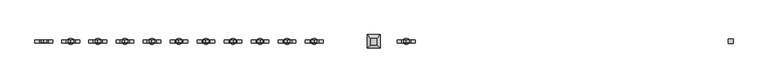
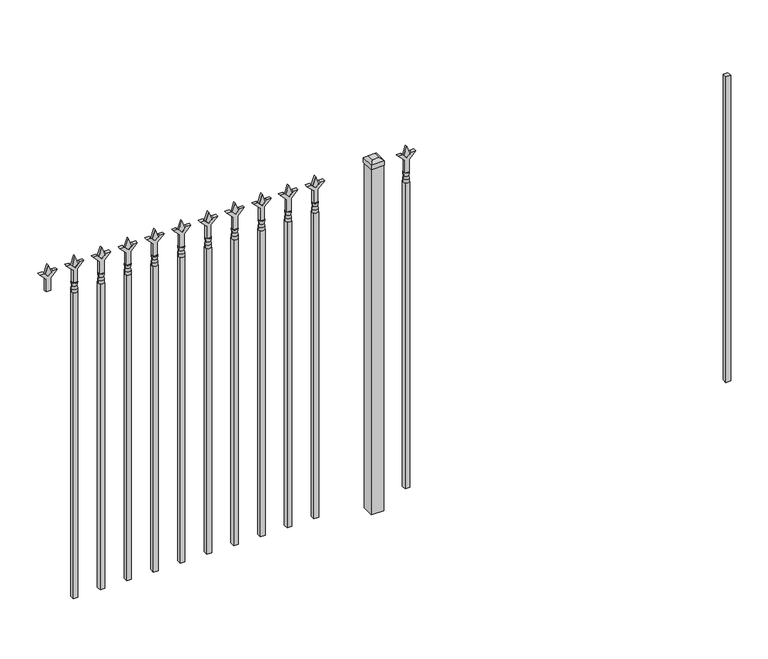
"""IFC4 building model written with IfcOpenShell, lengths in millimetres: railing geometry."""

from ifc_helpers import new_model, si_unit, frame, origin, origin_with_axes, place, context, project, spatial, polyline, circle_curve, outline, extrude, faceted_brep, source, transform, mapped, element, save
from ifc_brep_helpers import plane_surface, cylinder_surface, revolved_surface, advanced_brep


def railing_6e24d56b(model_context):
    return source(origin(), model_context, "Body", "SolidModel", [
        extrude(outline(polyline([(-70529.005587, 3031.8679826), (-70509.955587, 3031.8679826), (-70509.955587, 3012.8179826), (-70529.005587, 3012.8179826), (-70529.005587, 3031.8679826)])), frame((0.0, 0.0, 50.8), z_axis=(0.0, 0.0, 1.0), x_axis=(1.0, 0.0, 0.0)), (0.0, 0.0, 1.0), 1320.8),
        extrude(outline(polyline([(1488.28125, -71818.849337), (1524.0, -71830.755587), (1488.28125, -71842.661837), (1476.375, -71830.755587), (1488.28125, -71818.849337)])), frame((0.0, 3017.5804826, 0.0), z_axis=(0.0, 1.0, 0.0), x_axis=(0.0, 0.0, 1.0)), (0.0, 0.0, 1.0), 9.525),
        extrude(outline(polyline([(1412.875, -71822.024337), (1467.1457378, -71822.024337), (1494.3355122, -71794.8345625), (1494.3355122, -71812.7950747), (1476.375, -71830.755587), (1494.3355122, -71848.7160992), (1494.3355122, -71866.6766114), (1467.1457378, -71839.486837), (1412.875, -71839.486837), (1412.875, -71822.024337)])), frame((0.0, 3015.9929826, 0.0), z_axis=(0.0, 1.0, 0.0), x_axis=(0.0, 0.0, 1.0)), (0.0, 0.0, 1.0), 12.7),
        advanced_brep(
        [(-71818.849337, 3022.3429826, 1384.3), (-71842.661837, 3022.3429826, 1384.3), (-71842.661837, 3022.3429826, 1371.6), (-71818.849337, 3022.3429826, 1371.6), (-71821.0546688, 3022.3429826, 1396.8070585), (-71840.4565051, 3022.3429826, 1396.8070585), (-71818.849337, 3022.3429826, 1412.875), (-71842.661837, 3022.3429826, 1412.875), (-71830.755587, 3022.3429826, 1412.875), (-71830.755587, 3022.3429826, 1371.6)],
        [
            (0, 1, circle_curve(frame((-71830.755587, 3022.3429826, 1384.3), z_axis=(0.0, 0.0, -1.0), x_axis=(-1.0, 0.0, 0.0)), 11.90625)),
            (1, 2),
            (2, 3, circle_curve(frame((-71830.755587, 3022.3429826, 1371.6), z_axis=(0.0, 0.0, 1.0), x_axis=(-1.0, 0.0, 0.0)), 11.90625)),
            (3, 0),
            (1, 0, circle_curve(frame((-71830.755587, 3022.3429826, 1384.3), z_axis=(0.0, 0.0, -1.0), x_axis=(-1.0, 0.0, 0.0)), 11.90625)),
            (3, 2, circle_curve(frame((-71830.755587, 3022.3429826, 1371.6), z_axis=(0.0, 0.0, 1.0), x_axis=(-1.0, 0.0, 0.0)), 11.90625)),
            (4, 5, circle_curve(frame((-71830.755587, 3022.3429826, 1396.8070585), z_axis=(0.0, 0.0, -1.0), x_axis=(-1.0, 0.0, 0.0)), 9.7009181)),
            (5, 1),
            (0, 4),
            (5, 4, circle_curve(frame((-71830.755587, 3022.3429826, 1396.8070585), z_axis=(0.0, 0.0, -1.0), x_axis=(-1.0, 0.0, 0.0)), 9.7009181)),
            (6, 7, circle_curve(frame((-71830.755587, 3022.3429826, 1412.875), z_axis=(0.0, 0.0, -1.0), x_axis=(-1.0, 0.0, 0.0)), 11.90625)),
            (7, 5),
            (4, 6),
            (7, 6, circle_curve(frame((-71830.755587, 3022.3429826, 1412.875), z_axis=(0.0, 0.0, -1.0), x_axis=(-1.0, 0.0, 0.0)), 11.90625)),
            (8, 7),
            (6, 8),
            (2, 9),
            (9, 3),
        ],
        [
            cylinder_surface(frame((-71830.755587, 3022.3429826, 1371.6), z_axis=(0.0, 0.0, 1.0), x_axis=(-1.0, 0.0, 0.0)), 11.90625),
            revolved_surface(polyline([(-71842.661837, 3022.3429826, 1384.3), (-71840.4565051, 3022.3429826, 1396.8070585)]), (-71830.755587, 3022.3429826, 1371.6), (0.0, 0.0, 1.0)),
            revolved_surface(polyline([(-71840.4565051, 3022.3429826, 1396.8070585), (-71842.661837, 3022.3429826, 1412.875)]), (-71830.755587, 3022.3429826, 1371.6), (0.0, 0.0, 1.0)),
            plane_surface(frame((-71830.755587, 3022.3429826, 1412.875), z_axis=(0.0, 0.0, 1.0), x_axis=(-1.0, 0.0, 0.0))),
            plane_surface(frame((-71830.755587, 3022.3429826, 1371.6), z_axis=(0.0, 0.0, -1.0), x_axis=(-1.0, 0.0, 0.0))),
        ],
        [
            (0, [[1, 2, 3, 4]]),
            (0, [[5, -4, 6, -2]]),
            (1, [[7, 8, -1, 9]]),
            (1, [[10, -9, -5, -8]]),
            (2, [[11, 12, -7, 13]]),
            (2, [[14, -13, -10, -12]]),
            (3, [[15, -11, 16]]),
            (3, [[-16, -14, -15]]),
            (4, [[-3, 17, 18]]),
            (4, [[-6, -18, -17]]),
        ],
    ),
        extrude(outline(polyline([(-71840.280587, 3031.8679826), (-71821.230587, 3031.8679826), (-71821.230587, 3012.8179826), (-71840.280587, 3012.8179826), (-71840.280587, 3031.8679826)])), frame((0.0, 0.0, 50.8), z_axis=(0.0, 0.0, 1.0), x_axis=(1.0, 0.0, 0.0)), (0.0, 0.0, 1.0), 1320.8),
        extrude(outline(polyline([(-71937.118087, 3047.7429826), (-71937.118087, 2996.9429826), (-71987.918087, 2996.9429826), (-71987.918087, 3047.7429826), (-71937.118087, 3047.7429826)])), origin_with_axes(), (0.0, 0.0, 1.0), 1492.25),
        faceted_brep([(-71989.505587, 3049.3304826, 1511.3), (-71989.505587, 3049.3304826, 1492.25), (-71989.505587, 2995.3554826, 1492.25), (-71989.505587, 2995.3554826, 1511.3), (-71976.805587, 3036.6304826, 1524.0), (-71976.805587, 3008.0554826, 1524.0), (-71935.530587, 2995.3554826, 1492.25), (-71935.530587, 2995.3554826, 1511.3), (-71948.230587, 3008.0554826, 1524.0), (-71935.530587, 3049.3304826, 1492.25), (-71935.530587, 3049.3304826, 1511.3), (-71948.230587, 3036.6304826, 1524.0)], [[[0, 1, 2, 3]], [[4, 0, 3, 5]], [[3, 2, 6, 7]], [[5, 3, 7, 8]], [[7, 6, 9, 10]], [[8, 7, 10, 11]], [[10, 9, 1, 0]], [[11, 10, 0, 4]], [[5, 8, 11, 4]], [[1, 9, 6, 2]]]),
        extrude(outline(polyline([(1488.28125, -72191.6472536), (1524.0, -72203.5535036), (1488.28125, -72215.4597536), (1476.375, -72203.5535036), (1488.28125, -72191.6472536)])), frame((0.0, 3017.5804826, 0.0), z_axis=(0.0, 1.0, 0.0), x_axis=(0.0, 0.0, 1.0)), (0.0, 0.0, 1.0), 9.525),
        extrude(outline(polyline([(1412.875, -72194.8222536), (1467.1457378, -72194.8222536), (1494.3355122, -72167.6324791), (1494.3355122, -72185.5929914), (1476.375, -72203.5535036), (1494.3355122, -72221.5140159), (1494.3355122, -72239.4745281), (1467.1457378, -72212.2847536), (1412.875, -72212.2847536), (1412.875, -72194.8222536)])), frame((0.0, 3015.9929826, 0.0), z_axis=(0.0, 1.0, 0.0), x_axis=(0.0, 0.0, 1.0)), (0.0, 0.0, 1.0), 12.7),
        advanced_brep(
        [(-72191.6472536, 3022.3429826, 1384.3), (-72215.4597536, 3022.3429826, 1384.3), (-72215.4597536, 3022.3429826, 1371.6), (-72191.6472536, 3022.3429826, 1371.6), (-72193.8525855, 3022.3429826, 1396.8070585), (-72213.2544218, 3022.3429826, 1396.8070585), (-72191.6472536, 3022.3429826, 1412.875), (-72215.4597536, 3022.3429826, 1412.875), (-72203.5535036, 3022.3429826, 1412.875), (-72203.5535036, 3022.3429826, 1371.6)],
        [
            (0, 1, circle_curve(frame((-72203.5535036, 3022.3429826, 1384.3), z_axis=(0.0, 0.0, -1.0), x_axis=(-1.0, 0.0, 0.0)), 11.90625)),
            (1, 2),
            (2, 3, circle_curve(frame((-72203.5535036, 3022.3429826, 1371.6), z_axis=(0.0, 0.0, 1.0), x_axis=(-1.0, 0.0, 0.0)), 11.90625)),
            (3, 0),
            (1, 0, circle_curve(frame((-72203.5535036, 3022.3429826, 1384.3), z_axis=(0.0, 0.0, -1.0), x_axis=(-1.0, 0.0, 0.0)), 11.90625)),
            (3, 2, circle_curve(frame((-72203.5535036, 3022.3429826, 1371.6), z_axis=(0.0, 0.0, 1.0), x_axis=(-1.0, 0.0, 0.0)), 11.90625)),
            (4, 5, circle_curve(frame((-72203.5535036, 3022.3429826, 1396.8070585), z_axis=(0.0, 0.0, -1.0), x_axis=(-1.0, 0.0, 0.0)), 9.7009181)),
            (5, 1),
            (0, 4),
            (5, 4, circle_curve(frame((-72203.5535036, 3022.3429826, 1396.8070585), z_axis=(0.0, 0.0, -1.0), x_axis=(-1.0, 0.0, 0.0)), 9.7009181)),
            (6, 7, circle_curve(frame((-72203.5535036, 3022.3429826, 1412.875), z_axis=(0.0, 0.0, -1.0), x_axis=(-1.0, 0.0, 0.0)), 11.90625)),
            (7, 5),
            (4, 6),
            (7, 6, circle_curve(frame((-72203.5535036, 3022.3429826, 1412.875), z_axis=(0.0, 0.0, -1.0), x_axis=(-1.0, 0.0, 0.0)), 11.90625)),
            (8, 7),
            (6, 8),
            (2, 9),
            (9, 3),
        ],
        [
            cylinder_surface(frame((-72203.5535036, 3022.3429826, 1371.6), z_axis=(0.0, 0.0, 1.0), x_axis=(-1.0, 0.0, 0.0)), 11.90625),
            revolved_surface(polyline([(-72215.4597536, 3022.3429826, 1384.3), (-72213.2544218, 3022.3429826, 1396.8070585)]), (-72203.5535036, 3022.3429826, 1371.6), (0.0, 0.0, 1.0)),
            revolved_surface(polyline([(-72213.2544218, 3022.3429826, 1396.8070585), (-72215.4597536, 3022.3429826, 1412.875)]), (-72203.5535036, 3022.3429826, 1371.6), (0.0, 0.0, 1.0)),
            plane_surface(frame((-72203.5535036, 3022.3429826, 1412.875), z_axis=(0.0, 0.0, 1.0), x_axis=(-1.0, 0.0, 0.0))),
            plane_surface(frame((-72203.5535036, 3022.3429826, 1371.6), z_axis=(0.0, 0.0, -1.0), x_axis=(-1.0, 0.0, 0.0))),
        ],
        [
            (0, [[1, 2, 3, 4]]),
            (0, [[5, -4, 6, -2]]),
            (1, [[7, 8, -1, 9]]),
            (1, [[10, -9, -5, -8]]),
            (2, [[11, 12, -7, 13]]),
            (2, [[14, -13, -10, -12]]),
            (3, [[15, -11, 16]]),
            (3, [[-16, -14, -15]]),
            (4, [[-3, 17, 18]]),
            (4, [[-6, -18, -17]]),
        ],
    ),
        extrude(outline(polyline([(-72213.0785036, 3031.8679826), (-72194.0285036, 3031.8679826), (-72194.0285036, 3012.8179826), (-72213.0785036, 3012.8179826), (-72213.0785036, 3031.8679826)])), frame((0.0, 0.0, 50.8), z_axis=(0.0, 0.0, 1.0), x_axis=(1.0, 0.0, 0.0)), (0.0, 0.0, 1.0), 1320.8),
        extrude(outline(polyline([(1488.28125, -72300.9201703), (1524.0, -72312.8264203), (1488.28125, -72324.7326703), (1476.375, -72312.8264203), (1488.28125, -72300.9201703)])), frame((0.0, 3017.5804826, 0.0), z_axis=(0.0, 1.0, 0.0), x_axis=(0.0, 0.0, 1.0)), (0.0, 0.0, 1.0), 9.525),
        extrude(outline(polyline([(1412.875, -72304.0951703), (1467.1457378, -72304.0951703), (1494.3355122, -72276.9053958), (1494.3355122, -72294.8659081), (1476.375, -72312.8264203), (1494.3355122, -72330.7869325), (1494.3355122, -72348.7474448), (1467.1457378, -72321.5576703), (1412.875, -72321.5576703), (1412.875, -72304.0951703)])), frame((0.0, 3015.9929826, 0.0), z_axis=(0.0, 1.0, 0.0), x_axis=(0.0, 0.0, 1.0)), (0.0, 0.0, 1.0), 12.7),
        advanced_brep(
        [(-72300.9201703, 3022.3429826, 1384.3), (-72324.7326703, 3022.3429826, 1384.3), (-72324.7326703, 3022.3429826, 1371.6), (-72300.9201703, 3022.3429826, 1371.6), (-72303.1255022, 3022.3429826, 1396.8070585), (-72322.5273384, 3022.3429826, 1396.8070585), (-72300.9201703, 3022.3429826, 1412.875), (-72324.7326703, 3022.3429826, 1412.875), (-72312.8264203, 3022.3429826, 1412.875), (-72312.8264203, 3022.3429826, 1371.6)],
        [
            (0, 1, circle_curve(frame((-72312.8264203, 3022.3429826, 1384.3), z_axis=(0.0, 0.0, -1.0), x_axis=(-1.0, 0.0, 0.0)), 11.90625)),
            (1, 2),
            (2, 3, circle_curve(frame((-72312.8264203, 3022.3429826, 1371.6), z_axis=(0.0, 0.0, 1.0), x_axis=(-1.0, 0.0, 0.0)), 11.90625)),
            (3, 0),
            (1, 0, circle_curve(frame((-72312.8264203, 3022.3429826, 1384.3), z_axis=(0.0, 0.0, -1.0), x_axis=(-1.0, 0.0, 0.0)), 11.90625)),
            (3, 2, circle_curve(frame((-72312.8264203, 3022.3429826, 1371.6), z_axis=(0.0, 0.0, 1.0), x_axis=(-1.0, 0.0, 0.0)), 11.90625)),
            (4, 5, circle_curve(frame((-72312.8264203, 3022.3429826, 1396.8070585), z_axis=(0.0, 0.0, -1.0), x_axis=(-1.0, 0.0, 0.0)), 9.7009181)),
            (5, 1),
            (0, 4),
            (5, 4, circle_curve(frame((-72312.8264203, 3022.3429826, 1396.8070585), z_axis=(0.0, 0.0, -1.0), x_axis=(-1.0, 0.0, 0.0)), 9.7009181)),
            (6, 7, circle_curve(frame((-72312.8264203, 3022.3429826, 1412.875), z_axis=(0.0, 0.0, -1.0), x_axis=(-1.0, 0.0, 0.0)), 11.90625)),
            (7, 5),
            (4, 6),
            (7, 6, circle_curve(frame((-72312.8264203, 3022.3429826, 1412.875), z_axis=(0.0, 0.0, -1.0), x_axis=(-1.0, 0.0, 0.0)), 11.90625)),
            (8, 7),
            (6, 8),
            (2, 9),
            (9, 3),
        ],
        [
            cylinder_surface(frame((-72312.8264203, 3022.3429826, 1371.6), z_axis=(0.0, 0.0, 1.0), x_axis=(-1.0, 0.0, 0.0)), 11.90625),
            revolved_surface(polyline([(-72324.7326703, 3022.3429826, 1384.3), (-72322.5273384, 3022.3429826, 1396.8070585)]), (-72312.8264203, 3022.3429826, 1371.6), (0.0, 0.0, 1.0)),
            revolved_surface(polyline([(-72322.5273384, 3022.3429826, 1396.8070585), (-72324.7326703, 3022.3429826, 1412.875)]), (-72312.8264203, 3022.3429826, 1371.6), (0.0, 0.0, 1.0)),
            plane_surface(frame((-72312.8264203, 3022.3429826, 1412.875), z_axis=(0.0, 0.0, 1.0), x_axis=(-1.0, 0.0, 0.0))),
            plane_surface(frame((-72312.8264203, 3022.3429826, 1371.6), z_axis=(0.0, 0.0, -1.0), x_axis=(-1.0, 0.0, 0.0))),
        ],
        [
            (0, [[1, 2, 3, 4]]),
            (0, [[5, -4, 6, -2]]),
            (1, [[7, 8, -1, 9]]),
            (1, [[10, -9, -5, -8]]),
            (2, [[11, 12, -7, 13]]),
            (2, [[14, -13, -10, -12]]),
            (3, [[15, -11, 16]]),
            (3, [[-16, -14, -15]]),
            (4, [[-3, 17, 18]]),
            (4, [[-6, -18, -17]]),
        ],
    ),
        extrude(outline(polyline([(-72322.3514203, 3031.8679826), (-72303.3014203, 3031.8679826), (-72303.3014203, 3012.8179826), (-72322.3514203, 3012.8179826), (-72322.3514203, 3031.8679826)])), frame((0.0, 0.0, 50.8), z_axis=(0.0, 0.0, 1.0), x_axis=(1.0, 0.0, 0.0)), (0.0, 0.0, 1.0), 1320.8),
        extrude(outline(polyline([(1488.28125, -72410.193087), (1524.0, -72422.099337), (1488.28125, -72434.005587), (1476.375, -72422.099337), (1488.28125, -72410.193087)])), frame((0.0, 3017.5804826, 0.0), z_axis=(0.0, 1.0, 0.0), x_axis=(0.0, 0.0, 1.0)), (0.0, 0.0, 1.0), 9.525),
        extrude(outline(polyline([(1412.875, -72413.368087), (1467.1457378, -72413.368087), (1494.3355122, -72386.1783125), (1494.3355122, -72404.1388247), (1476.375, -72422.099337), (1494.3355122, -72440.0598492), (1494.3355122, -72458.0203614), (1467.1457378, -72430.830587), (1412.875, -72430.830587), (1412.875, -72413.368087)])), frame((0.0, 3015.9929826, 0.0), z_axis=(0.0, 1.0, 0.0), x_axis=(0.0, 0.0, 1.0)), (0.0, 0.0, 1.0), 12.7),
        advanced_brep(
        [(-72410.193087, 3022.3429826, 1384.3), (-72434.005587, 3022.3429826, 1384.3), (-72434.005587, 3022.3429826, 1371.6), (-72410.193087, 3022.3429826, 1371.6), (-72412.3984188, 3022.3429826, 1396.8070585), (-72431.8002551, 3022.3429826, 1396.8070585), (-72410.193087, 3022.3429826, 1412.875), (-72434.005587, 3022.3429826, 1412.875), (-72422.099337, 3022.3429826, 1412.875), (-72422.099337, 3022.3429826, 1371.6)],
        [
            (0, 1, circle_curve(frame((-72422.099337, 3022.3429826, 1384.3), z_axis=(0.0, 0.0, -1.0), x_axis=(-1.0, 0.0, 0.0)), 11.90625)),
            (1, 2),
            (2, 3, circle_curve(frame((-72422.099337, 3022.3429826, 1371.6), z_axis=(0.0, 0.0, 1.0), x_axis=(-1.0, 0.0, 0.0)), 11.90625)),
            (3, 0),
            (1, 0, circle_curve(frame((-72422.099337, 3022.3429826, 1384.3), z_axis=(0.0, 0.0, -1.0), x_axis=(-1.0, 0.0, 0.0)), 11.90625)),
            (3, 2, circle_curve(frame((-72422.099337, 3022.3429826, 1371.6), z_axis=(0.0, 0.0, 1.0), x_axis=(-1.0, 0.0, 0.0)), 11.90625)),
            (4, 5, circle_curve(frame((-72422.099337, 3022.3429826, 1396.8070585), z_axis=(0.0, 0.0, -1.0), x_axis=(-1.0, 0.0, 0.0)), 9.7009181)),
            (5, 1),
            (0, 4),
            (5, 4, circle_curve(frame((-72422.099337, 3022.3429826, 1396.8070585), z_axis=(0.0, 0.0, -1.0), x_axis=(-1.0, 0.0, 0.0)), 9.7009181)),
            (6, 7, circle_curve(frame((-72422.099337, 3022.3429826, 1412.875), z_axis=(0.0, 0.0, -1.0), x_axis=(-1.0, 0.0, 0.0)), 11.90625)),
            (7, 5),
            (4, 6),
            (7, 6, circle_curve(frame((-72422.099337, 3022.3429826, 1412.875), z_axis=(0.0, 0.0, -1.0), x_axis=(-1.0, 0.0, 0.0)), 11.90625)),
            (8, 7),
            (6, 8),
            (2, 9),
            (9, 3),
        ],
        [
            cylinder_surface(frame((-72422.099337, 3022.3429826, 1371.6), z_axis=(0.0, 0.0, 1.0), x_axis=(-1.0, 0.0, 0.0)), 11.90625),
            revolved_surface(polyline([(-72434.005587, 3022.3429826, 1384.3), (-72431.8002551, 3022.3429826, 1396.8070585)]), (-72422.099337, 3022.3429826, 1371.6), (0.0, 0.0, 1.0)),
            revolved_surface(polyline([(-72431.8002551, 3022.3429826, 1396.8070585), (-72434.005587, 3022.3429826, 1412.875)]), (-72422.099337, 3022.3429826, 1371.6), (0.0, 0.0, 1.0)),
            plane_surface(frame((-72422.099337, 3022.3429826, 1412.875), z_axis=(0.0, 0.0, 1.0), x_axis=(-1.0, 0.0, 0.0))),
            plane_surface(frame((-72422.099337, 3022.3429826, 1371.6), z_axis=(0.0, 0.0, -1.0), x_axis=(-1.0, 0.0, 0.0))),
        ],
        [
            (0, [[1, 2, 3, 4]]),
            (0, [[5, -4, 6, -2]]),
            (1, [[7, 8, -1, 9]]),
            (1, [[10, -9, -5, -8]]),
            (2, [[11, 12, -7, 13]]),
            (2, [[14, -13, -10, -12]]),
            (3, [[15, -11, 16]]),
            (3, [[-16, -14, -15]]),
            (4, [[-3, 17, 18]]),
            (4, [[-6, -18, -17]]),
        ],
    ),
        extrude(outline(polyline([(-72431.624337, 3031.8679826), (-72412.574337, 3031.8679826), (-72412.574337, 3012.8179826), (-72431.624337, 3012.8179826), (-72431.624337, 3031.8679826)])), frame((0.0, 0.0, 50.8), z_axis=(0.0, 0.0, 1.0), x_axis=(1.0, 0.0, 0.0)), (0.0, 0.0, 1.0), 1320.8),
        extrude(outline(polyline([(1488.28125, -72519.4660036), (1524.0, -72531.3722536), (1488.28125, -72543.2785036), (1476.375, -72531.3722536), (1488.28125, -72519.4660036)])), frame((0.0, 3017.5804826, 0.0), z_axis=(0.0, 1.0, 0.0), x_axis=(0.0, 0.0, 1.0)), (0.0, 0.0, 1.0), 9.525),
        extrude(outline(polyline([(1412.875, -72522.6410036), (1467.1457378, -72522.6410036), (1494.3355122, -72495.4512291), (1494.3355122, -72513.4117414), (1476.375, -72531.3722536), (1494.3355122, -72549.3327659), (1494.3355122, -72567.2932781), (1467.1457378, -72540.1035036), (1412.875, -72540.1035036), (1412.875, -72522.6410036)])), frame((0.0, 3015.9929826, 0.0), z_axis=(0.0, 1.0, 0.0), x_axis=(0.0, 0.0, 1.0)), (0.0, 0.0, 1.0), 12.7),
        advanced_brep(
        [(-72519.4660036, 3022.3429826, 1384.3), (-72543.2785036, 3022.3429826, 1384.3), (-72543.2785036, 3022.3429826, 1371.6), (-72519.4660036, 3022.3429826, 1371.6), (-72521.6713355, 3022.3429826, 1396.8070585), (-72541.0731718, 3022.3429826, 1396.8070585), (-72519.4660036, 3022.3429826, 1412.875), (-72543.2785036, 3022.3429826, 1412.875), (-72531.3722536, 3022.3429826, 1412.875), (-72531.3722536, 3022.3429826, 1371.6)],
        [
            (0, 1, circle_curve(frame((-72531.3722536, 3022.3429826, 1384.3), z_axis=(0.0, 0.0, -1.0), x_axis=(-1.0, 0.0, 0.0)), 11.90625)),
            (1, 2),
            (2, 3, circle_curve(frame((-72531.3722536, 3022.3429826, 1371.6), z_axis=(0.0, 0.0, 1.0), x_axis=(-1.0, 0.0, 0.0)), 11.90625)),
            (3, 0),
            (1, 0, circle_curve(frame((-72531.3722536, 3022.3429826, 1384.3), z_axis=(0.0, 0.0, -1.0), x_axis=(-1.0, 0.0, 0.0)), 11.90625)),
            (3, 2, circle_curve(frame((-72531.3722536, 3022.3429826, 1371.6), z_axis=(0.0, 0.0, 1.0), x_axis=(-1.0, 0.0, 0.0)), 11.90625)),
            (4, 5, circle_curve(frame((-72531.3722536, 3022.3429826, 1396.8070585), z_axis=(0.0, 0.0, -1.0), x_axis=(-1.0, 0.0, 0.0)), 9.7009181)),
            (5, 1),
            (0, 4),
            (5, 4, circle_curve(frame((-72531.3722536, 3022.3429826, 1396.8070585), z_axis=(0.0, 0.0, -1.0), x_axis=(-1.0, 0.0, 0.0)), 9.7009181)),
            (6, 7, circle_curve(frame((-72531.3722536, 3022.3429826, 1412.875), z_axis=(0.0, 0.0, -1.0), x_axis=(-1.0, 0.0, 0.0)), 11.90625)),
            (7, 5),
            (4, 6),
            (7, 6, circle_curve(frame((-72531.3722536, 3022.3429826, 1412.875), z_axis=(0.0, 0.0, -1.0), x_axis=(-1.0, 0.0, 0.0)), 11.90625)),
            (8, 7),
            (6, 8),
            (2, 9),
            (9, 3),
        ],
        [
            cylinder_surface(frame((-72531.3722536, 3022.3429826, 1371.6), z_axis=(0.0, 0.0, 1.0), x_axis=(-1.0, 0.0, 0.0)), 11.90625),
            revolved_surface(polyline([(-72543.2785036, 3022.3429826, 1384.3), (-72541.0731718, 3022.3429826, 1396.8070585)]), (-72531.3722536, 3022.3429826, 1371.6), (0.0, 0.0, 1.0)),
            revolved_surface(polyline([(-72541.0731718, 3022.3429826, 1396.8070585), (-72543.2785036, 3022.3429826, 1412.875)]), (-72531.3722536, 3022.3429826, 1371.6), (0.0, 0.0, 1.0)),
            plane_surface(frame((-72531.3722536, 3022.3429826, 1412.875), z_axis=(0.0, 0.0, 1.0), x_axis=(-1.0, 0.0, 0.0))),
            plane_surface(frame((-72531.3722536, 3022.3429826, 1371.6), z_axis=(0.0, 0.0, -1.0), x_axis=(-1.0, 0.0, 0.0))),
        ],
        [
            (0, [[1, 2, 3, 4]]),
            (0, [[5, -4, 6, -2]]),
            (1, [[7, 8, -1, 9]]),
            (1, [[10, -9, -5, -8]]),
            (2, [[11, 12, -7, 13]]),
            (2, [[14, -13, -10, -12]]),
            (3, [[15, -11, 16]]),
            (3, [[-16, -14, -15]]),
            (4, [[-3, 17, 18]]),
            (4, [[-6, -18, -17]]),
        ],
    ),
        extrude(outline(polyline([(-72540.8972536, 3031.8679826), (-72521.8472536, 3031.8679826), (-72521.8472536, 3012.8179826), (-72540.8972536, 3012.8179826), (-72540.8972536, 3031.8679826)])), frame((0.0, 0.0, 50.8), z_axis=(0.0, 0.0, 1.0), x_axis=(1.0, 0.0, 0.0)), (0.0, 0.0, 1.0), 1320.8),
        extrude(outline(polyline([(1488.28125, -72628.7389203), (1524.0, -72640.6451703), (1488.28125, -72652.5514203), (1476.375, -72640.6451703), (1488.28125, -72628.7389203)])), frame((0.0, 3017.5804826, 0.0), z_axis=(0.0, 1.0, 0.0), x_axis=(0.0, 0.0, 1.0)), (0.0, 0.0, 1.0), 9.525),
        extrude(outline(polyline([(1412.875, -72631.9139203), (1467.1457378, -72631.9139203), (1494.3355122, -72604.7241458), (1494.3355122, -72622.6846581), (1476.375, -72640.6451703), (1494.3355122, -72658.6056825), (1494.3355122, -72676.5661948), (1467.1457378, -72649.3764203), (1412.875, -72649.3764203), (1412.875, -72631.9139203)])), frame((0.0, 3015.9929826, 0.0), z_axis=(0.0, 1.0, 0.0), x_axis=(0.0, 0.0, 1.0)), (0.0, 0.0, 1.0), 12.7),
        advanced_brep(
        [(-72628.7389203, 3022.3429826, 1384.3), (-72652.5514203, 3022.3429826, 1384.3), (-72652.5514203, 3022.3429826, 1371.6), (-72628.7389203, 3022.3429826, 1371.6), (-72630.9442522, 3022.3429826, 1396.8070585), (-72650.3460884, 3022.3429826, 1396.8070585), (-72628.7389203, 3022.3429826, 1412.875), (-72652.5514203, 3022.3429826, 1412.875), (-72640.6451703, 3022.3429826, 1412.875), (-72640.6451703, 3022.3429826, 1371.6)],
        [
            (0, 1, circle_curve(frame((-72640.6451703, 3022.3429826, 1384.3), z_axis=(0.0, 0.0, -1.0), x_axis=(-1.0, 0.0, 0.0)), 11.90625)),
            (1, 2),
            (2, 3, circle_curve(frame((-72640.6451703, 3022.3429826, 1371.6), z_axis=(0.0, 0.0, 1.0), x_axis=(-1.0, 0.0, 0.0)), 11.90625)),
            (3, 0),
            (1, 0, circle_curve(frame((-72640.6451703, 3022.3429826, 1384.3), z_axis=(0.0, 0.0, -1.0), x_axis=(-1.0, 0.0, 0.0)), 11.90625)),
            (3, 2, circle_curve(frame((-72640.6451703, 3022.3429826, 1371.6), z_axis=(0.0, 0.0, 1.0), x_axis=(-1.0, 0.0, 0.0)), 11.90625)),
            (4, 5, circle_curve(frame((-72640.6451703, 3022.3429826, 1396.8070585), z_axis=(0.0, 0.0, -1.0), x_axis=(-1.0, 0.0, 0.0)), 9.7009181)),
            (5, 1),
            (0, 4),
            (5, 4, circle_curve(frame((-72640.6451703, 3022.3429826, 1396.8070585), z_axis=(0.0, 0.0, -1.0), x_axis=(-1.0, 0.0, 0.0)), 9.7009181)),
            (6, 7, circle_curve(frame((-72640.6451703, 3022.3429826, 1412.875), z_axis=(0.0, 0.0, -1.0), x_axis=(-1.0, 0.0, 0.0)), 11.90625)),
            (7, 5),
            (4, 6),
            (7, 6, circle_curve(frame((-72640.6451703, 3022.3429826, 1412.875), z_axis=(0.0, 0.0, -1.0), x_axis=(-1.0, 0.0, 0.0)), 11.90625)),
            (8, 7),
            (6, 8),
            (2, 9),
            (9, 3),
        ],
        [
            cylinder_surface(frame((-72640.6451703, 3022.3429826, 1371.6), z_axis=(0.0, 0.0, 1.0), x_axis=(-1.0, 0.0, 0.0)), 11.90625),
            revolved_surface(polyline([(-72652.5514203, 3022.3429826, 1384.3), (-72650.3460884, 3022.3429826, 1396.8070585)]), (-72640.6451703, 3022.3429826, 1371.6), (0.0, 0.0, 1.0)),
            revolved_surface(polyline([(-72650.3460884, 3022.3429826, 1396.8070585), (-72652.5514203, 3022.3429826, 1412.875)]), (-72640.6451703, 3022.3429826, 1371.6), (0.0, 0.0, 1.0)),
            plane_surface(frame((-72640.6451703, 3022.3429826, 1412.875), z_axis=(0.0, 0.0, 1.0), x_axis=(-1.0, 0.0, 0.0))),
            plane_surface(frame((-72640.6451703, 3022.3429826, 1371.6), z_axis=(0.0, 0.0, -1.0), x_axis=(-1.0, 0.0, 0.0))),
        ],
        [
            (0, [[1, 2, 3, 4]]),
            (0, [[5, -4, 6, -2]]),
            (1, [[7, 8, -1, 9]]),
            (1, [[10, -9, -5, -8]]),
            (2, [[11, 12, -7, 13]]),
            (2, [[14, -13, -10, -12]]),
            (3, [[15, -11, 16]]),
            (3, [[-16, -14, -15]]),
            (4, [[-3, 17, 18]]),
            (4, [[-6, -18, -17]]),
        ],
    ),
        extrude(outline(polyline([(-72650.1701703, 3031.8679826), (-72631.1201703, 3031.8679826), (-72631.1201703, 3012.8179826), (-72650.1701703, 3012.8179826), (-72650.1701703, 3031.8679826)])), frame((0.0, 0.0, 50.8), z_axis=(0.0, 0.0, 1.0), x_axis=(1.0, 0.0, 0.0)), (0.0, 0.0, 1.0), 1320.8),
        extrude(outline(polyline([(1488.28125, -72738.011837), (1524.0, -72749.918087), (1488.28125, -72761.824337), (1476.375, -72749.918087), (1488.28125, -72738.011837)])), frame((0.0, 3017.5804826, 0.0), z_axis=(0.0, 1.0, 0.0), x_axis=(0.0, 0.0, 1.0)), (0.0, 0.0, 1.0), 9.525),
        extrude(outline(polyline([(1412.875, -72741.186837), (1467.1457378, -72741.186837), (1494.3355122, -72713.9970625), (1494.3355122, -72731.9575747), (1476.375, -72749.918087), (1494.3355122, -72767.8785992), (1494.3355122, -72785.8391114), (1467.1457378, -72758.649337), (1412.875, -72758.649337), (1412.875, -72741.186837)])), frame((0.0, 3015.9929826, 0.0), z_axis=(0.0, 1.0, 0.0), x_axis=(0.0, 0.0, 1.0)), (0.0, 0.0, 1.0), 12.7),
        advanced_brep(
        [(-72738.011837, 3022.3429826, 1384.3), (-72761.824337, 3022.3429826, 1384.3), (-72761.824337, 3022.3429826, 1371.6), (-72738.011837, 3022.3429826, 1371.6), (-72740.2171688, 3022.3429826, 1396.8070585), (-72759.6190051, 3022.3429826, 1396.8070585), (-72738.011837, 3022.3429826, 1412.875), (-72761.824337, 3022.3429826, 1412.875), (-72749.918087, 3022.3429826, 1412.875), (-72749.918087, 3022.3429826, 1371.6)],
        [
            (0, 1, circle_curve(frame((-72749.918087, 3022.3429826, 1384.3), z_axis=(0.0, 0.0, -1.0), x_axis=(-1.0, 0.0, 0.0)), 11.90625)),
            (1, 2),
            (2, 3, circle_curve(frame((-72749.918087, 3022.3429826, 1371.6), z_axis=(0.0, 0.0, 1.0), x_axis=(-1.0, 0.0, 0.0)), 11.90625)),
            (3, 0),
            (1, 0, circle_curve(frame((-72749.918087, 3022.3429826, 1384.3), z_axis=(0.0, 0.0, -1.0), x_axis=(-1.0, 0.0, 0.0)), 11.90625)),
            (3, 2, circle_curve(frame((-72749.918087, 3022.3429826, 1371.6), z_axis=(0.0, 0.0, 1.0), x_axis=(-1.0, 0.0, 0.0)), 11.90625)),
            (4, 5, circle_curve(frame((-72749.918087, 3022.3429826, 1396.8070585), z_axis=(0.0, 0.0, -1.0), x_axis=(-1.0, 0.0, 0.0)), 9.7009181)),
            (5, 1),
            (0, 4),
            (5, 4, circle_curve(frame((-72749.918087, 3022.3429826, 1396.8070585), z_axis=(0.0, 0.0, -1.0), x_axis=(-1.0, 0.0, 0.0)), 9.7009181)),
            (6, 7, circle_curve(frame((-72749.918087, 3022.3429826, 1412.875), z_axis=(0.0, 0.0, -1.0), x_axis=(-1.0, 0.0, 0.0)), 11.90625)),
            (7, 5),
            (4, 6),
            (7, 6, circle_curve(frame((-72749.918087, 3022.3429826, 1412.875), z_axis=(0.0, 0.0, -1.0), x_axis=(-1.0, 0.0, 0.0)), 11.90625)),
            (8, 7),
            (6, 8),
            (2, 9),
            (9, 3),
        ],
        [
            cylinder_surface(frame((-72749.918087, 3022.3429826, 1371.6), z_axis=(0.0, 0.0, 1.0), x_axis=(-1.0, 0.0, 0.0)), 11.90625),
            revolved_surface(polyline([(-72761.824337, 3022.3429826, 1384.3), (-72759.6190051, 3022.3429826, 1396.8070585)]), (-72749.918087, 3022.3429826, 1371.6), (0.0, 0.0, 1.0)),
            revolved_surface(polyline([(-72759.6190051, 3022.3429826, 1396.8070585), (-72761.824337, 3022.3429826, 1412.875)]), (-72749.918087, 3022.3429826, 1371.6), (0.0, 0.0, 1.0)),
            plane_surface(frame((-72749.918087, 3022.3429826, 1412.875), z_axis=(0.0, 0.0, 1.0), x_axis=(-1.0, 0.0, 0.0))),
            plane_surface(frame((-72749.918087, 3022.3429826, 1371.6), z_axis=(0.0, 0.0, -1.0), x_axis=(-1.0, 0.0, 0.0))),
        ],
        [
            (0, [[1, 2, 3, 4]]),
            (0, [[5, -4, 6, -2]]),
            (1, [[7, 8, -1, 9]]),
            (1, [[10, -9, -5, -8]]),
            (2, [[11, 12, -7, 13]]),
            (2, [[14, -13, -10, -12]]),
            (3, [[15, -11, 16]]),
            (3, [[-16, -14, -15]]),
            (4, [[-3, 17, 18]]),
            (4, [[-6, -18, -17]]),
        ],
    ),
        extrude(outline(polyline([(-72759.443087, 3031.8679826), (-72740.393087, 3031.8679826), (-72740.393087, 3012.8179826), (-72759.443087, 3012.8179826), (-72759.443087, 3031.8679826)])), frame((0.0, 0.0, 50.8), z_axis=(0.0, 0.0, 1.0), x_axis=(1.0, 0.0, 0.0)), (0.0, 0.0, 1.0), 1320.8),
        extrude(outline(polyline([(1488.28125, -72847.2847536), (1524.0, -72859.1910036), (1488.28125, -72871.0972536), (1476.375, -72859.1910036), (1488.28125, -72847.2847536)])), frame((0.0, 3017.5804826, 0.0), z_axis=(0.0, 1.0, 0.0), x_axis=(0.0, 0.0, 1.0)), (0.0, 0.0, 1.0), 9.525),
        extrude(outline(polyline([(1412.875, -72850.4597536), (1467.1457378, -72850.4597536), (1494.3355122, -72823.2699791), (1494.3355122, -72841.2304914), (1476.375, -72859.1910036), (1494.3355122, -72877.1515159), (1494.3355122, -72895.1120281), (1467.1457378, -72867.9222536), (1412.875, -72867.9222536), (1412.875, -72850.4597536)])), frame((0.0, 3015.9929826, 0.0), z_axis=(0.0, 1.0, 0.0), x_axis=(0.0, 0.0, 1.0)), (0.0, 0.0, 1.0), 12.7),
        advanced_brep(
        [(-72847.2847536, 3022.3429826, 1384.3), (-72871.0972536, 3022.3429826, 1384.3), (-72871.0972536, 3022.3429826, 1371.6), (-72847.2847536, 3022.3429826, 1371.6), (-72849.4900855, 3022.3429826, 1396.8070585), (-72868.8919218, 3022.3429826, 1396.8070585), (-72847.2847536, 3022.3429826, 1412.875), (-72871.0972536, 3022.3429826, 1412.875), (-72859.1910036, 3022.3429826, 1412.875), (-72859.1910036, 3022.3429826, 1371.6)],
        [
            (0, 1, circle_curve(frame((-72859.1910036, 3022.3429826, 1384.3), z_axis=(0.0, 0.0, -1.0), x_axis=(-1.0, 0.0, 0.0)), 11.90625)),
            (1, 2),
            (2, 3, circle_curve(frame((-72859.1910036, 3022.3429826, 1371.6), z_axis=(0.0, 0.0, 1.0), x_axis=(-1.0, 0.0, 0.0)), 11.90625)),
            (3, 0),
            (1, 0, circle_curve(frame((-72859.1910036, 3022.3429826, 1384.3), z_axis=(0.0, 0.0, -1.0), x_axis=(-1.0, 0.0, 0.0)), 11.90625)),
            (3, 2, circle_curve(frame((-72859.1910036, 3022.3429826, 1371.6), z_axis=(0.0, 0.0, 1.0), x_axis=(-1.0, 0.0, 0.0)), 11.90625)),
            (4, 5, circle_curve(frame((-72859.1910036, 3022.3429826, 1396.8070585), z_axis=(0.0, 0.0, -1.0), x_axis=(-1.0, 0.0, 0.0)), 9.7009181)),
            (5, 1),
            (0, 4),
            (5, 4, circle_curve(frame((-72859.1910036, 3022.3429826, 1396.8070585), z_axis=(0.0, 0.0, -1.0), x_axis=(-1.0, 0.0, 0.0)), 9.7009181)),
            (6, 7, circle_curve(frame((-72859.1910036, 3022.3429826, 1412.875), z_axis=(0.0, 0.0, -1.0), x_axis=(-1.0, 0.0, 0.0)), 11.90625)),
            (7, 5),
            (4, 6),
            (7, 6, circle_curve(frame((-72859.1910036, 3022.3429826, 1412.875), z_axis=(0.0, 0.0, -1.0), x_axis=(-1.0, 0.0, 0.0)), 11.90625)),
            (8, 7),
            (6, 8),
            (2, 9),
            (9, 3),
        ],
        [
            cylinder_surface(frame((-72859.1910036, 3022.3429826, 1371.6), z_axis=(0.0, 0.0, 1.0), x_axis=(-1.0, 0.0, 0.0)), 11.90625),
            revolved_surface(polyline([(-72871.0972536, 3022.3429826, 1384.3), (-72868.8919218, 3022.3429826, 1396.8070585)]), (-72859.1910036, 3022.3429826, 1371.6), (0.0, 0.0, 1.0)),
            revolved_surface(polyline([(-72868.8919218, 3022.3429826, 1396.8070585), (-72871.0972536, 3022.3429826, 1412.875)]), (-72859.1910036, 3022.3429826, 1371.6), (0.0, 0.0, 1.0)),
            plane_surface(frame((-72859.1910036, 3022.3429826, 1412.875), z_axis=(0.0, 0.0, 1.0), x_axis=(-1.0, 0.0, 0.0))),
            plane_surface(frame((-72859.1910036, 3022.3429826, 1371.6), z_axis=(0.0, 0.0, -1.0), x_axis=(-1.0, 0.0, 0.0))),
        ],
        [
            (0, [[1, 2, 3, 4]]),
            (0, [[5, -4, 6, -2]]),
            (1, [[7, 8, -1, 9]]),
            (1, [[10, -9, -5, -8]]),
            (2, [[11, 12, -7, 13]]),
            (2, [[14, -13, -10, -12]]),
            (3, [[15, -11, 16]]),
            (3, [[-16, -14, -15]]),
            (4, [[-3, 17, 18]]),
            (4, [[-6, -18, -17]]),
        ],
    ),
        extrude(outline(polyline([(-72868.7160036, 3031.8679826), (-72849.6660036, 3031.8679826), (-72849.6660036, 3012.8179826), (-72868.7160036, 3012.8179826), (-72868.7160036, 3031.8679826)])), frame((0.0, 0.0, 50.8), z_axis=(0.0, 0.0, 1.0), x_axis=(1.0, 0.0, 0.0)), (0.0, 0.0, 1.0), 1320.8),
        extrude(outline(polyline([(1488.28125, -72956.5576703), (1524.0, -72968.4639203), (1488.28125, -72980.3701703), (1476.375, -72968.4639203), (1488.28125, -72956.5576703)])), frame((0.0, 3017.5804826, 0.0), z_axis=(0.0, 1.0, 0.0), x_axis=(0.0, 0.0, 1.0)), (0.0, 0.0, 1.0), 9.525),
        extrude(outline(polyline([(1412.875, -72959.7326703), (1467.1457378, -72959.7326703), (1494.3355122, -72932.5428958), (1494.3355122, -72950.5034081), (1476.375, -72968.4639203), (1494.3355122, -72986.4244325), (1494.3355122, -73004.3849448), (1467.1457378, -72977.1951703), (1412.875, -72977.1951703), (1412.875, -72959.7326703)])), frame((0.0, 3015.9929826, 0.0), z_axis=(0.0, 1.0, 0.0), x_axis=(0.0, 0.0, 1.0)), (0.0, 0.0, 1.0), 12.7),
        advanced_brep(
        [(-72956.5576703, 3022.3429826, 1384.3), (-72980.3701703, 3022.3429826, 1384.3), (-72980.3701703, 3022.3429826, 1371.6), (-72956.5576703, 3022.3429826, 1371.6), (-72958.7630022, 3022.3429826, 1396.8070585), (-72978.1648384, 3022.3429826, 1396.8070585), (-72956.5576703, 3022.3429826, 1412.875), (-72980.3701703, 3022.3429826, 1412.875), (-72968.4639203, 3022.3429826, 1412.875), (-72968.4639203, 3022.3429826, 1371.6)],
        [
            (0, 1, circle_curve(frame((-72968.4639203, 3022.3429826, 1384.3), z_axis=(0.0, 0.0, -1.0), x_axis=(-1.0, 0.0, 0.0)), 11.90625)),
            (1, 2),
            (2, 3, circle_curve(frame((-72968.4639203, 3022.3429826, 1371.6), z_axis=(0.0, 0.0, 1.0), x_axis=(-1.0, 0.0, 0.0)), 11.90625)),
            (3, 0),
            (1, 0, circle_curve(frame((-72968.4639203, 3022.3429826, 1384.3), z_axis=(0.0, 0.0, -1.0), x_axis=(-1.0, 0.0, 0.0)), 11.90625)),
            (3, 2, circle_curve(frame((-72968.4639203, 3022.3429826, 1371.6), z_axis=(0.0, 0.0, 1.0), x_axis=(-1.0, 0.0, 0.0)), 11.90625)),
            (4, 5, circle_curve(frame((-72968.4639203, 3022.3429826, 1396.8070585), z_axis=(0.0, 0.0, -1.0), x_axis=(-1.0, 0.0, 0.0)), 9.7009181)),
            (5, 1),
            (0, 4),
            (5, 4, circle_curve(frame((-72968.4639203, 3022.3429826, 1396.8070585), z_axis=(0.0, 0.0, -1.0), x_axis=(-1.0, 0.0, 0.0)), 9.7009181)),
            (6, 7, circle_curve(frame((-72968.4639203, 3022.3429826, 1412.875), z_axis=(0.0, 0.0, -1.0), x_axis=(-1.0, 0.0, 0.0)), 11.90625)),
            (7, 5),
            (4, 6),
            (7, 6, circle_curve(frame((-72968.4639203, 3022.3429826, 1412.875), z_axis=(0.0, 0.0, -1.0), x_axis=(-1.0, 0.0, 0.0)), 11.90625)),
            (8, 7),
            (6, 8),
            (2, 9),
            (9, 3),
        ],
        [
            cylinder_surface(frame((-72968.4639203, 3022.3429826, 1371.6), z_axis=(0.0, 0.0, 1.0), x_axis=(-1.0, 0.0, 0.0)), 11.90625),
            revolved_surface(polyline([(-72980.3701703, 3022.3429826, 1384.3), (-72978.1648384, 3022.3429826, 1396.8070585)]), (-72968.4639203, 3022.3429826, 1371.6), (0.0, 0.0, 1.0)),
            revolved_surface(polyline([(-72978.1648384, 3022.3429826, 1396.8070585), (-72980.3701703, 3022.3429826, 1412.875)]), (-72968.4639203, 3022.3429826, 1371.6), (0.0, 0.0, 1.0)),
            plane_surface(frame((-72968.4639203, 3022.3429826, 1412.875), z_axis=(0.0, 0.0, 1.0), x_axis=(-1.0, 0.0, 0.0))),
            plane_surface(frame((-72968.4639203, 3022.3429826, 1371.6), z_axis=(0.0, 0.0, -1.0), x_axis=(-1.0, 0.0, 0.0))),
        ],
        [
            (0, [[1, 2, 3, 4]]),
            (0, [[5, -4, 6, -2]]),
            (1, [[7, 8, -1, 9]]),
            (1, [[10, -9, -5, -8]]),
            (2, [[11, 12, -7, 13]]),
            (2, [[14, -13, -10, -12]]),
            (3, [[15, -11, 16]]),
            (3, [[-16, -14, -15]]),
            (4, [[-3, 17, 18]]),
            (4, [[-6, -18, -17]]),
        ],
    ),
        extrude(outline(polyline([(-72977.9889203, 3031.8679826), (-72958.9389203, 3031.8679826), (-72958.9389203, 3012.8179826), (-72977.9889203, 3012.8179826), (-72977.9889203, 3031.8679826)])), frame((0.0, 0.0, 50.8), z_axis=(0.0, 0.0, 1.0), x_axis=(1.0, 0.0, 0.0)), (0.0, 0.0, 1.0), 1320.8),
        extrude(outline(polyline([(1488.28125, -73065.830587), (1524.0, -73077.736837), (1488.28125, -73089.643087), (1476.375, -73077.736837), (1488.28125, -73065.830587)])), frame((0.0, 3017.5804826, 0.0), z_axis=(0.0, 1.0, 0.0), x_axis=(0.0, 0.0, 1.0)), (0.0, 0.0, 1.0), 9.525),
        extrude(outline(polyline([(1412.875, -73069.005587), (1467.1457378, -73069.005587), (1494.3355122, -73041.8158125), (1494.3355122, -73059.7763247), (1476.375, -73077.736837), (1494.3355122, -73095.6973492), (1494.3355122, -73113.6578614), (1467.1457378, -73086.468087), (1412.875, -73086.468087), (1412.875, -73069.005587)])), frame((0.0, 3015.9929826, 0.0), z_axis=(0.0, 1.0, 0.0), x_axis=(0.0, 0.0, 1.0)), (0.0, 0.0, 1.0), 12.7),
        advanced_brep(
        [(-73065.830587, 3022.3429826, 1384.3), (-73089.643087, 3022.3429826, 1384.3), (-73089.643087, 3022.3429826, 1371.6), (-73065.830587, 3022.3429826, 1371.6), (-73068.0359188, 3022.3429826, 1396.8070585), (-73087.4377551, 3022.3429826, 1396.8070585), (-73065.830587, 3022.3429826, 1412.875), (-73089.643087, 3022.3429826, 1412.875), (-73077.736837, 3022.3429826, 1412.875), (-73077.736837, 3022.3429826, 1371.6)],
        [
            (0, 1, circle_curve(frame((-73077.736837, 3022.3429826, 1384.3), z_axis=(0.0, 0.0, -1.0), x_axis=(-1.0, 0.0, 0.0)), 11.90625)),
            (1, 2),
            (2, 3, circle_curve(frame((-73077.736837, 3022.3429826, 1371.6), z_axis=(0.0, 0.0, 1.0), x_axis=(-1.0, 0.0, 0.0)), 11.90625)),
            (3, 0),
            (1, 0, circle_curve(frame((-73077.736837, 3022.3429826, 1384.3), z_axis=(0.0, 0.0, -1.0), x_axis=(-1.0, 0.0, 0.0)), 11.90625)),
            (3, 2, circle_curve(frame((-73077.736837, 3022.3429826, 1371.6), z_axis=(0.0, 0.0, 1.0), x_axis=(-1.0, 0.0, 0.0)), 11.90625)),
            (4, 5, circle_curve(frame((-73077.736837, 3022.3429826, 1396.8070585), z_axis=(0.0, 0.0, -1.0), x_axis=(-1.0, 0.0, 0.0)), 9.7009181)),
            (5, 1),
            (0, 4),
            (5, 4, circle_curve(frame((-73077.736837, 3022.3429826, 1396.8070585), z_axis=(0.0, 0.0, -1.0), x_axis=(-1.0, 0.0, 0.0)), 9.7009181)),
            (6, 7, circle_curve(frame((-73077.736837, 3022.3429826, 1412.875), z_axis=(0.0, 0.0, -1.0), x_axis=(-1.0, 0.0, 0.0)), 11.90625)),
            (7, 5),
            (4, 6),
            (7, 6, circle_curve(frame((-73077.736837, 3022.3429826, 1412.875), z_axis=(0.0, 0.0, -1.0), x_axis=(-1.0, 0.0, 0.0)), 11.90625)),
            (8, 7),
            (6, 8),
            (2, 9),
            (9, 3),
        ],
        [
            cylinder_surface(frame((-73077.736837, 3022.3429826, 1371.6), z_axis=(0.0, 0.0, 1.0), x_axis=(-1.0, 0.0, 0.0)), 11.90625),
            revolved_surface(polyline([(-73089.643087, 3022.3429826, 1384.3), (-73087.4377551, 3022.3429826, 1396.8070585)]), (-73077.736837, 3022.3429826, 1371.6), (0.0, 0.0, 1.0)),
            revolved_surface(polyline([(-73087.4377551, 3022.3429826, 1396.8070585), (-73089.643087, 3022.3429826, 1412.875)]), (-73077.736837, 3022.3429826, 1371.6), (0.0, 0.0, 1.0)),
            plane_surface(frame((-73077.736837, 3022.3429826, 1412.875), z_axis=(0.0, 0.0, 1.0), x_axis=(-1.0, 0.0, 0.0))),
            plane_surface(frame((-73077.736837, 3022.3429826, 1371.6), z_axis=(0.0, 0.0, -1.0), x_axis=(-1.0, 0.0, 0.0))),
        ],
        [
            (0, [[1, 2, 3, 4]]),
            (0, [[5, -4, 6, -2]]),
            (1, [[7, 8, -1, 9]]),
            (1, [[10, -9, -5, -8]]),
            (2, [[11, 12, -7, 13]]),
            (2, [[14, -13, -10, -12]]),
            (3, [[15, -11, 16]]),
            (3, [[-16, -14, -15]]),
            (4, [[-3, 17, 18]]),
            (4, [[-6, -18, -17]]),
        ],
    ),
        extrude(outline(polyline([(-73087.261837, 3031.8679826), (-73068.211837, 3031.8679826), (-73068.211837, 3012.8179826), (-73087.261837, 3012.8179826), (-73087.261837, 3031.8679826)])), frame((0.0, 0.0, 50.8), z_axis=(0.0, 0.0, 1.0), x_axis=(1.0, 0.0, 0.0)), (0.0, 0.0, 1.0), 1320.8),
        extrude(outline(polyline([(1488.28125, -73175.1035036), (1524.0, -73187.0097536), (1488.28125, -73198.9160036), (1476.375, -73187.0097536), (1488.28125, -73175.1035036)])), frame((0.0, 3017.5804826, 0.0), z_axis=(0.0, 1.0, 0.0), x_axis=(0.0, 0.0, 1.0)), (0.0, 0.0, 1.0), 9.525),
        extrude(outline(polyline([(1412.875, -73178.2785036), (1467.1457378, -73178.2785036), (1494.3355122, -73151.0887291), (1494.3355122, -73169.0492414), (1476.375, -73187.0097536), (1494.3355122, -73204.9702659), (1494.3355122, -73222.9307781), (1467.1457378, -73195.7410036), (1412.875, -73195.7410036), (1412.875, -73178.2785036)])), frame((0.0, 3015.9929826, 0.0), z_axis=(0.0, 1.0, 0.0), x_axis=(0.0, 0.0, 1.0)), (0.0, 0.0, 1.0), 12.7),
        advanced_brep(
        [(-73175.1035036, 3022.3429826, 1384.3), (-73198.9160036, 3022.3429826, 1384.3), (-73198.9160036, 3022.3429826, 1371.6), (-73175.1035036, 3022.3429826, 1371.6), (-73177.3088355, 3022.3429826, 1396.8070585), (-73196.7106718, 3022.3429826, 1396.8070585), (-73175.1035036, 3022.3429826, 1412.875), (-73198.9160036, 3022.3429826, 1412.875), (-73187.0097536, 3022.3429826, 1412.875), (-73187.0097536, 3022.3429826, 1371.6)],
        [
            (0, 1, circle_curve(frame((-73187.0097536, 3022.3429826, 1384.3), z_axis=(0.0, 0.0, -1.0), x_axis=(-1.0, 0.0, 0.0)), 11.90625)),
            (1, 2),
            (2, 3, circle_curve(frame((-73187.0097536, 3022.3429826, 1371.6), z_axis=(0.0, 0.0, 1.0), x_axis=(-1.0, 0.0, 0.0)), 11.90625)),
            (3, 0),
            (1, 0, circle_curve(frame((-73187.0097536, 3022.3429826, 1384.3), z_axis=(0.0, 0.0, -1.0), x_axis=(-1.0, 0.0, 0.0)), 11.90625)),
            (3, 2, circle_curve(frame((-73187.0097536, 3022.3429826, 1371.6), z_axis=(0.0, 0.0, 1.0), x_axis=(-1.0, 0.0, 0.0)), 11.90625)),
            (4, 5, circle_curve(frame((-73187.0097536, 3022.3429826, 1396.8070585), z_axis=(0.0, 0.0, -1.0), x_axis=(-1.0, 0.0, 0.0)), 9.7009181)),
            (5, 1),
            (0, 4),
            (5, 4, circle_curve(frame((-73187.0097536, 3022.3429826, 1396.8070585), z_axis=(0.0, 0.0, -1.0), x_axis=(-1.0, 0.0, 0.0)), 9.7009181)),
            (6, 7, circle_curve(frame((-73187.0097536, 3022.3429826, 1412.875), z_axis=(0.0, 0.0, -1.0), x_axis=(-1.0, 0.0, 0.0)), 11.90625)),
            (7, 5),
            (4, 6),
            (7, 6, circle_curve(frame((-73187.0097536, 3022.3429826, 1412.875), z_axis=(0.0, 0.0, -1.0), x_axis=(-1.0, 0.0, 0.0)), 11.90625)),
            (8, 7),
            (6, 8),
            (2, 9),
            (9, 3),
        ],
        [
            cylinder_surface(frame((-73187.0097536, 3022.3429826, 1371.6), z_axis=(0.0, 0.0, 1.0), x_axis=(-1.0, 0.0, 0.0)), 11.90625),
            revolved_surface(polyline([(-73198.9160036, 3022.3429826, 1384.3), (-73196.7106718, 3022.3429826, 1396.8070585)]), (-73187.0097536, 3022.3429826, 1371.6), (0.0, 0.0, 1.0)),
            revolved_surface(polyline([(-73196.7106718, 3022.3429826, 1396.8070585), (-73198.9160036, 3022.3429826, 1412.875)]), (-73187.0097536, 3022.3429826, 1371.6), (0.0, 0.0, 1.0)),
            plane_surface(frame((-73187.0097536, 3022.3429826, 1412.875), z_axis=(0.0, 0.0, 1.0), x_axis=(-1.0, 0.0, 0.0))),
            plane_surface(frame((-73187.0097536, 3022.3429826, 1371.6), z_axis=(0.0, 0.0, -1.0), x_axis=(-1.0, 0.0, 0.0))),
        ],
        [
            (0, [[1, 2, 3, 4]]),
            (0, [[5, -4, 6, -2]]),
            (1, [[7, 8, -1, 9]]),
            (1, [[10, -9, -5, -8]]),
            (2, [[11, 12, -7, 13]]),
            (2, [[14, -13, -10, -12]]),
            (3, [[15, -11, 16]]),
            (3, [[-16, -14, -15]]),
            (4, [[-3, 17, 18]]),
            (4, [[-6, -18, -17]]),
        ],
    ),
        extrude(outline(polyline([(-73196.5347536, 3031.8679826), (-73177.4847536, 3031.8679826), (-73177.4847536, 3012.8179826), (-73196.5347536, 3012.8179826), (-73196.5347536, 3031.8679826)])), frame((0.0, 0.0, 50.8), z_axis=(0.0, 0.0, 1.0), x_axis=(1.0, 0.0, 0.0)), (0.0, 0.0, 1.0), 1320.8),
        extrude(outline(polyline([(1488.28125, -73284.3764203), (1524.0, -73296.2826703), (1488.28125, -73308.1889203), (1476.375, -73296.2826703), (1488.28125, -73284.3764203)])), frame((0.0, 3017.5804826, 0.0), z_axis=(0.0, 1.0, 0.0), x_axis=(0.0, 0.0, 1.0)), (0.0, 0.0, 1.0), 9.525),
        extrude(outline(polyline([(1412.875, -73287.5514203), (1467.1457378, -73287.5514203), (1494.3355122, -73260.3616458), (1494.3355122, -73278.3221581), (1476.375, -73296.2826703), (1494.3355122, -73314.2431825), (1494.3355122, -73332.2036948), (1467.1457378, -73305.0139203), (1412.875, -73305.0139203), (1412.875, -73287.5514203)])), frame((0.0, 3015.9929826, 0.0), z_axis=(0.0, 1.0, 0.0), x_axis=(0.0, 0.0, 1.0)), (0.0, 0.0, 1.0), 12.7),
    ])


if __name__ == "__main__":
    model = new_model("IFC4")
    model_context = context("Model", 3, world=origin())
    ifc_project = project(units=[si_unit("LENGTHUNIT", "METRE", prefix="MILLI")], contexts=[model_context])
    site = spatial("IfcSite", under=ifc_project)
    building = spatial("IfcBuilding", under=site)
    placement = place(None, origin())
    railing_shape = railing_6e24d56b(model_context)
    element("IfcRailing", 1, at=placement, inside=building, context=model_context, shape_type="MappedRepresentation", body=[
        mapped(railing_shape, transform((0.0, 0.0, 0.0), x_axis=(1.0, 0.0, 0.0), y_axis=(0.0, 1.0, 0.0), z_axis=(0.0, 0.0, 1.0))),
    ])
    save(model, "model.ifc")
